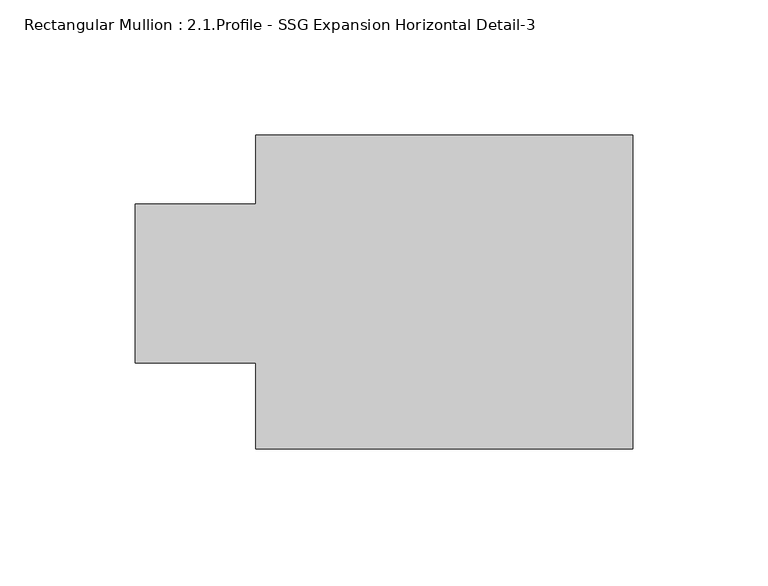
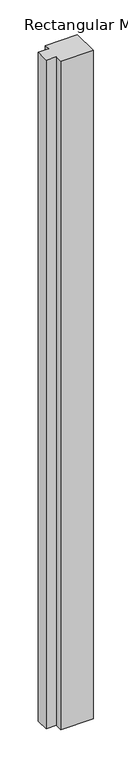
"""IFC4 building model written with IfcOpenShell, lengths in millimetres: member geometry, Rectangular Mullion : 2.1.Profile - SSG Expansion Horizontal Detail-3."""

from ifc_helpers import new_model, si_unit, frame, origin, place, context, project, spatial, polyline, outline, extrude, source, transform, mapped, element, save


def rectangular_mullion_2_1_profile_ssg_expansion_horizontal_f564c985(model_context):
    return source(origin(), model_context, "Body", "SweptSolid", [
        extrude(outline(polyline([(-139.176125, -35.7674867), (-183.626125, -35.7674867), (-183.626125, 22.9935493), (-139.1894785, 22.9935493), (-139.1894785, 48.3934361), (0.0, 48.3934361), (0.0, -67.5173735), (-139.176125, -67.5173735), (-139.176125, -35.7674867)])), frame((0.0, 0.0, -3048.0), z_axis=(0.0, 0.0, 1.0), x_axis=(1.0, 0.0, 0.0)), (0.0, 0.0, 1.0), 3048.0),
    ])


if __name__ == "__main__":
    model = new_model("IFC4")
    model_context = context("Model", 3, world=origin())
    ifc_project = project(units=[si_unit("LENGTHUNIT", "METRE", prefix="MILLI")], contexts=[model_context])
    site = spatial("IfcSite", under=ifc_project)
    building = spatial("IfcBuilding", under=site)
    placement = place(None, origin())
    rectangular_mullion_2_1_profile_ssg_expansion_horizontal_shape = rectangular_mullion_2_1_profile_ssg_expansion_horizontal_f564c985(model_context)
    element("IfcMember", 1, ObjectType="Rectangular Mullion : 2.1.Profile - SSG Expansion Horizontal Detail-3", at=placement, inside=building, context=model_context, shape_type="MappedRepresentation", body=[
        mapped(rectangular_mullion_2_1_profile_ssg_expansion_horizontal_shape, transform((0.0, 0.0, 0.0), x_axis=(1.0, 0.0, 0.0), y_axis=(0.0, 1.0, 0.0), z_axis=(0.0, 0.0, 1.0))),
    ])
    save(model, "model.ifc")
